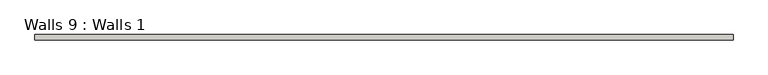
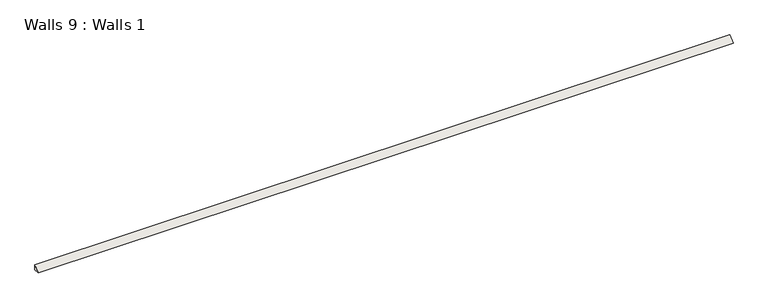
"""IFC4 building model written with IfcOpenShell, lengths in millimetres: wall geometry, Walls 9 : Walls 1."""

from ifc_helpers import new_model, si_unit, frame, origin, place, context, project, spatial, polyline, outline, extrude, source, transform, mapped, element, save


def walls_9_walls_1_278e2ed8(model_context):
    return source(origin(), model_context, "Body", "SweptSolid", [
        extrude(outline(polyline([(1447.5142506, 323.85), (1447.5142506, 304.8), (1428.4642506, 304.8), (1447.5142506, 323.85)])), frame((1879.6350462, 0.0, 0.0), z_axis=(1.0, 0.0, 0.0), x_axis=(0.0, 1.0, 0.0)), (0.0, 0.0, 1.0), 2438.4),
    ])


if __name__ == "__main__":
    model = new_model("IFC4")
    model_context = context("Model", 3, world=origin())
    ifc_project = project(units=[si_unit("LENGTHUNIT", "METRE", prefix="MILLI")], contexts=[model_context])
    site = spatial("IfcSite", under=ifc_project)
    building = spatial("IfcBuilding", under=site)
    placement = place(None, origin())
    walls_9_walls_1_shape = walls_9_walls_1_278e2ed8(model_context)
    element("IfcWall", 1, ObjectType="Walls 9 : Walls 1", at=placement, inside=building, context=model_context, shape_type="MappedRepresentation", body=[
        mapped(walls_9_walls_1_shape, transform((0.0, 0.0, 0.0), x_axis=(1.0, 0.0, 0.0), y_axis=(0.0, 1.0, 0.0), z_axis=(0.0, 0.0, 1.0))),
    ])
    save(model, "model.ifc")
